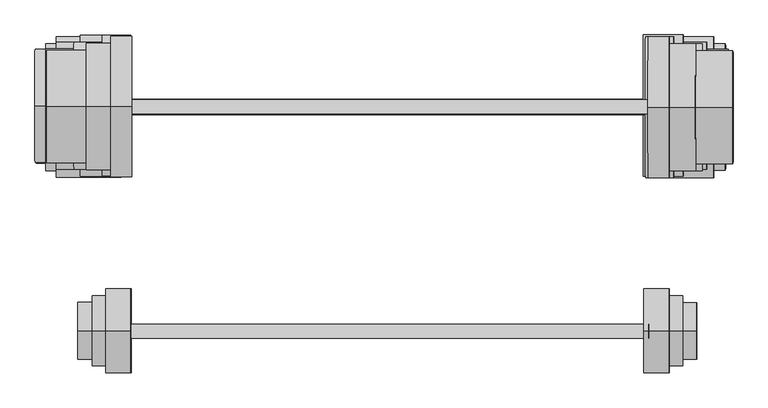
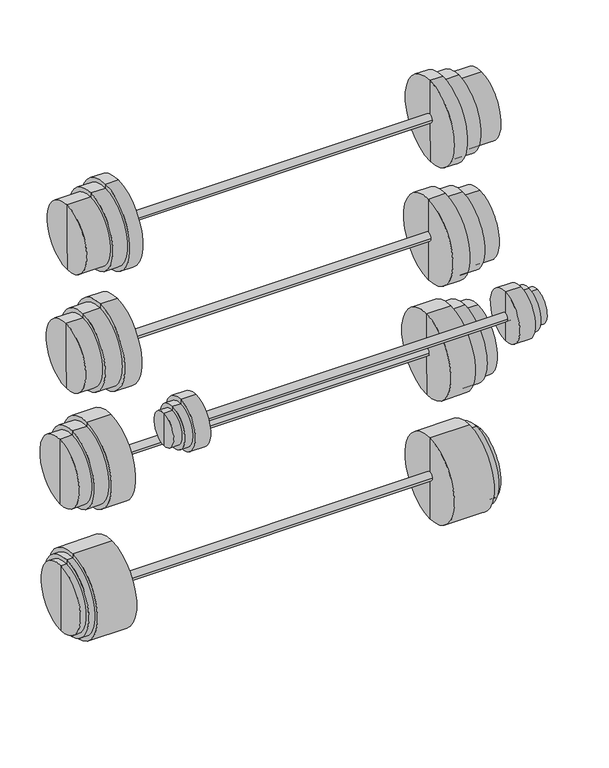
"""IFC4 building model written with IfcOpenShell, lengths in millimetres: proxy geometry."""

from ifc_helpers import new_model, si_unit, point, frame, frame_2d, origin, place, context, project, spatial, circle_curve, trimmed, segment, composite_curve, outline, extrude, source, transform, mapped, element, save
from ifc_brep_helpers import plane_surface, cylinder_surface, advanced_brep


def specialty_equipment_58067853(model_context):
    return source(origin(), model_context, "Body", "SolidModel", [
        advanced_brep(
        [(1469.1501077, -2905.6755178, 964.8840592), (1469.0053554, -2905.6755178, 1041.0839217), (1469.29486, -2905.6755178, 888.6841967), (1564.3034343, -2905.6755178, 1015.8649079), (1564.3999359, -2905.6755178, 965.0649996), (1564.4964374, -2905.6755178, 914.2650912), (1538.9034802, -2905.6755178, 1015.8166572), (1539.0964832, -2905.6755178, 914.2168405), (1538.8793548, -2905.6755178, 1028.5166342), (1539.1206086, -2905.6755178, 901.5168634), (1515.0639653, -2905.6755178, 1028.4713936), (1515.3052191, -2905.6755178, 901.4716227), (1515.0398399, -2905.6755178, 1041.1713707), (1515.3293444, -2905.6755178, 888.7716456)],
        [
            (0, 1),
            (1, 2, circle_curve(frame((1469.1501077, -2905.6755178, 964.8840592), z_axis=(-0.9999981956892882, 0.0, -0.001899636325284712), x_axis=(0.0018996363252847125, 0.0, -0.9999981956892884)), 76.2)),
            (2, 0),
            (2, 1, circle_curve(frame((1469.1501077, -2905.6755178, 964.8840592), z_axis=(-0.9999981956892882, 0.0, -0.001899636325284712), x_axis=(0.0018996363252847125, 0.0, -0.9999981956892884)), 76.2)),
            (3, 4),
            (4, 5),
            (5, 3, circle_curve(frame((1564.3999359, -2905.6755178, 965.0649996), z_axis=(0.9999981956892882, 0.0, 0.001899636325284712), x_axis=(0.0018996363252847125, 0.0, -0.9999981956892884)), 50.8)),
            (3, 5, circle_curve(frame((1564.3999359, -2905.6755178, 965.0649996), z_axis=(0.9999981956892882, 0.0, 0.001899636325284712), x_axis=(0.0018996363252847125, 0.0, -0.9999981956892884)), 50.8)),
            (6, 3),
            (5, 7),
            (7, 6, circle_curve(frame((1538.9999817, -2905.6755178, 965.0167488), z_axis=(0.9999981956892882, 0.0, 0.001899636325284712), x_axis=(0.0018996363252847125, 0.0, -0.9999981956892884)), 50.8)),
            (6, 7, circle_curve(frame((1538.9999817, -2905.6755178, 965.0167488), z_axis=(0.9999981956892882, 0.0, 0.001899636325284712), x_axis=(0.0018996363252847125, 0.0, -0.9999981956892884)), 50.8)),
            (8, 6),
            (7, 9),
            (9, 8, circle_curve(frame((1538.9999817, -2905.6755178, 965.0167488), z_axis=(0.9999981956892882, 0.0, 0.001899636325284712), x_axis=(0.0018996363252847125, 0.0, -0.9999981956892884)), 63.5)),
            (8, 9, circle_curve(frame((1538.9999817, -2905.6755178, 965.0167488), z_axis=(0.9999981956892882, 0.0, 0.001899636325284712), x_axis=(0.0018996363252847125, 0.0, -0.9999981956892884)), 63.5)),
            (10, 8),
            (9, 11),
            (11, 10, circle_curve(frame((1515.1845922, -2905.6755178, 964.9715081), z_axis=(0.9999981956892882, 0.0, 0.001899636325284712), x_axis=(0.0018996363252847125, 0.0, -0.9999981956892884)), 63.5)),
            (10, 11, circle_curve(frame((1515.1845922, -2905.6755178, 964.9715081), z_axis=(0.9999981956892882, 0.0, 0.001899636325284712), x_axis=(0.0018996363252847125, 0.0, -0.9999981956892884)), 63.5)),
            (12, 10),
            (11, 13),
            (13, 12, circle_curve(frame((1515.1845922, -2905.6755178, 964.9715081), z_axis=(0.9999981956892882, 0.0, 0.001899636325284712), x_axis=(0.0018996363252847125, 0.0, -0.9999981956892884)), 76.2)),
            (12, 13, circle_curve(frame((1515.1845922, -2905.6755178, 964.9715081), z_axis=(0.9999981956892882, 0.0, 0.001899636325284712), x_axis=(0.0018996363252847125, 0.0, -0.9999981956892884)), 76.2)),
            (1, 12),
            (13, 2),
        ],
        [
            plane_surface(frame((1469.1501077, -2905.6755178, 964.8840592), z_axis=(-0.9999981956892882, 0.0, -0.001899636325284712), x_axis=(0.001899636325284712, 0.0, -0.9999981956892882))),
            plane_surface(frame((1564.3999359, -2905.6755178, 965.0649996), z_axis=(0.9999981956892882, 0.0, 0.001899636325284712), x_axis=(0.001899636325284712, 0.0, -0.9999981956892882))),
            cylinder_surface(frame((1564.3999359, -2905.6755178, 965.0649996), z_axis=(-0.9999981956892882, 0.0, -0.001899636325284712), x_axis=(0.0018996363252847125, 0.0, -0.9999981956892884)), 50.8),
            plane_surface(frame((1538.9999817, -2905.6755178, 965.0167488), z_axis=(0.9999981956892882, 0.0, 0.001899636325284712), x_axis=(0.001899636325284712, 0.0, -0.9999981956892882))),
            cylinder_surface(frame((1564.3999359, -2905.6755178, 965.0649996), z_axis=(-0.9999981956892882, 0.0, -0.001899636325284712), x_axis=(0.0018996363252847125, 0.0, -0.9999981956892884)), 63.5),
            plane_surface(frame((1515.1845922, -2905.6755178, 964.9715081), z_axis=(0.9999981956892882, 0.0, 0.001899636325284712), x_axis=(0.001899636325284712, 0.0, -0.9999981956892882))),
            cylinder_surface(frame((1564.3999359, -2905.6755178, 965.0649996), z_axis=(-0.9999981956892882, 0.0, -0.001899636325284712), x_axis=(0.0018996363252847125, 0.0, -0.9999981956892884)), 76.2),
        ],
        [
            (0, [[1, 2, 3]]),
            (0, [[-3, 4, -1]]),
            (1, [[5, 6, 7]]),
            (1, [[-6, -5, 8]]),
            (2, [[9, -7, 10, 11]]),
            (2, [[-10, -8, -9, 12]]),
            (3, [[13, -11, 14, 15]]),
            (3, [[-14, -12, -13, 16]]),
            (4, [[17, -15, 18, 19]]),
            (4, [[-18, -16, -17, 20]]),
            (5, [[21, -19, 22, 23]]),
            (5, [[-22, -20, -21, 24]]),
            (6, [[25, -23, 26, -2]]),
            (6, [[-26, -24, -25, -4]]),
        ],
    ),
        extrude(outline(composite_curve([segment(trimmed(circle_curve(frame_2d((0.0, 12.7)), 12.7), [point((0.0, 25.4))], [point((0.0, 0.0))], False, "CARTESIAN"), True, "CONTINUOUS"), segment(trimmed(circle_curve(frame_2d((0.0, 12.7)), 12.7), [point((0.0, 0.0))], [point((0.0, 25.4))], False, "CARTESIAN"), True, "CONTINUOUS")], self_intersect=False)), frame((548.4067578, -2919.2123232, 961.2144949), z_axis=(0.9999981956892882, 0.0, 0.0018996363252847118), x_axis=(0.0018996363252847118, 0.0, -0.9999981956892882)), (0.0, 0.0, 1.0), 929.7628431),
        advanced_brep(
        [(502.9975828, -2905.6755178, 1040.6601923), (548.2556763, -2905.6755178, 1040.7461664), (548.5451808, -2905.6755178, 888.3464414), (503.2870873, -2905.6755178, 888.2604673), (503.0217081, -2905.6755178, 1027.9602152), (503.262962, -2905.6755178, 900.9604444), (478.4299277, -2905.6755178, 1027.9134997), (478.6711815, -2905.6755178, 900.9137288), (478.454053, -2905.6755178, 1015.2135226), (478.6470561, -2905.6755178, 913.6137059), (453.0540989, -2905.6755178, 1015.1652719), (453.2471019, -2905.6755178, 913.5654552), (453.1506004, -2905.6755178, 964.3653635), (548.4004285, -2905.6755178, 964.5463039)],
        [
            (0, 1),
            (1, 2, circle_curve(frame((548.4004285, -2905.6755178, 964.5463039), z_axis=(-0.9999981956892882, 0.0, -0.001899636325284712), x_axis=(0.0018996363252847125, 0.0, -0.9999981956892884)), 76.2)),
            (2, 3),
            (3, 0, circle_curve(frame((503.1423351, -2905.6755178, 964.4603298), z_axis=(0.9999981956892882, 0.0, 0.001899636325284712), x_axis=(0.0018996363252847125, 0.0, -0.9999981956892884)), 76.2)),
            (2, 1, circle_curve(frame((548.4004285, -2905.6755178, 964.5463039), z_axis=(-0.9999981956892882, 0.0, -0.001899636325284712), x_axis=(0.0018996363252847125, 0.0, -0.9999981956892884)), 76.2)),
            (0, 3, circle_curve(frame((503.1423351, -2905.6755178, 964.4603298), z_axis=(0.9999981956892882, 0.0, 0.001899636325284712), x_axis=(0.0018996363252847125, 0.0, -0.9999981956892884)), 76.2)),
            (4, 0),
            (3, 5),
            (5, 4, circle_curve(frame((503.1423351, -2905.6755178, 964.4603298), z_axis=(0.9999981956892882, 0.0, 0.001899636325284712), x_axis=(0.0018996363252847125, 0.0, -0.9999981956892884)), 63.5)),
            (4, 5, circle_curve(frame((503.1423351, -2905.6755178, 964.4603298), z_axis=(0.9999981956892882, 0.0, 0.001899636325284712), x_axis=(0.0018996363252847125, 0.0, -0.9999981956892884)), 63.5)),
            (6, 4),
            (5, 7),
            (7, 6, circle_curve(frame((478.5505546, -2905.6755178, 964.4136143), z_axis=(0.9999981956892882, 0.0, 0.001899636325284712), x_axis=(0.0018996363252847125, 0.0, -0.9999981956892884)), 63.5)),
            (6, 7, circle_curve(frame((478.5505546, -2905.6755178, 964.4136143), z_axis=(0.9999981956892882, 0.0, 0.001899636325284712), x_axis=(0.0018996363252847125, 0.0, -0.9999981956892884)), 63.5)),
            (8, 6),
            (7, 9),
            (9, 8, circle_curve(frame((478.5505546, -2905.6755178, 964.4136143), z_axis=(0.9999981956892882, 0.0, 0.001899636325284712), x_axis=(0.0018996363252847125, 0.0, -0.9999981956892884)), 50.8)),
            (8, 9, circle_curve(frame((478.5505546, -2905.6755178, 964.4136143), z_axis=(0.9999981956892882, 0.0, 0.001899636325284712), x_axis=(0.0018996363252847125, 0.0, -0.9999981956892884)), 50.8)),
            (10, 8),
            (9, 11),
            (11, 10, circle_curve(frame((453.1506004, -2905.6755178, 964.3653635), z_axis=(0.9999981956892882, 0.0, 0.001899636325284712), x_axis=(0.0018996363252847125, 0.0, -0.9999981956892884)), 50.8)),
            (10, 11, circle_curve(frame((453.1506004, -2905.6755178, 964.3653635), z_axis=(0.9999981956892882, 0.0, 0.001899636325284712), x_axis=(0.0018996363252847125, 0.0, -0.9999981956892884)), 50.8)),
            (12, 10),
            (11, 12),
            (1, 13),
            (13, 2),
        ],
        [
            cylinder_surface(frame((453.1506004, -2905.6755178, 964.3653635), z_axis=(-0.9999981956892882, 0.0, -0.001899636325284712), x_axis=(0.0018996363252847125, 0.0, -0.9999981956892884)), 76.2),
            plane_surface(frame((503.1423351, -2905.6755178, 964.4603298), z_axis=(-0.9999981956892882, 0.0, -0.001899636325284712), x_axis=(0.001899636325284712, 0.0, -0.9999981956892882))),
            cylinder_surface(frame((453.1506004, -2905.6755178, 964.3653635), z_axis=(-0.9999981956892882, 0.0, -0.001899636325284712), x_axis=(0.0018996363252847125, 0.0, -0.9999981956892884)), 63.5),
            plane_surface(frame((478.5505546, -2905.6755178, 964.4136143), z_axis=(-0.9999981956892882, 0.0, -0.001899636325284712), x_axis=(0.001899636325284712, 0.0, -0.9999981956892882))),
            cylinder_surface(frame((453.1506004, -2905.6755178, 964.3653635), z_axis=(-0.9999981956892882, 0.0, -0.001899636325284712), x_axis=(0.0018996363252847125, 0.0, -0.9999981956892884)), 50.8),
            plane_surface(frame((453.1506004, -2905.6755178, 964.3653635), z_axis=(-0.9999981956892882, 0.0, -0.001899636325284712), x_axis=(0.001899636325284712, 0.0, -0.9999981956892882))),
            plane_surface(frame((548.4004285, -2905.6755178, 964.5463039), z_axis=(0.9999981956892882, 0.0, 0.001899636325284712), x_axis=(0.001899636325284712, 0.0, -0.9999981956892882))),
        ],
        [
            (0, [[1, 2, 3, 4]]),
            (0, [[-3, 5, -1, 6]]),
            (1, [[7, -4, 8, 9]]),
            (1, [[-8, -6, -7, 10]]),
            (2, [[11, -9, 12, 13]]),
            (2, [[-12, -10, -11, 14]]),
            (3, [[15, -13, 16, 17]]),
            (3, [[-16, -14, -15, 18]]),
            (4, [[19, -17, 20, 21]]),
            (4, [[-20, -18, -19, 22]]),
            (5, [[23, -21, 24]]),
            (5, [[-24, -22, -23]]),
            (6, [[25, 26, -2]]),
            (6, [[-26, -25, -5]]),
        ],
    ),
        extrude(outline(composite_curve([segment(trimmed(circle_curve(frame_2d((0.0, 12.7)), 12.7), [point((0.0, 25.4))], [point((0.0, 0.0))], False, "CARTESIAN"), True, "CONTINUOUS"), segment(trimmed(circle_curve(frame_2d((0.0, 12.7)), 12.7), [point((0.0, 0.0))], [point((0.0, 25.4))], False, "CARTESIAN"), True, "CONTINUOUS")], self_intersect=False)), frame((497.5993768, -2515.108288, 609.0766567), z_axis=(0.9999981956892882, 0.0, 0.001899636325278269), x_axis=(0.001899636325278269, 0.0, -0.9999981956892882)), (0.0, 0.0, 1.0), 975.2843977),
        advanced_brep(
        [(1468.1498944, -2501.5714826, 600.823924), (1467.9086406, -2501.5714826, 727.8236948), (1468.3911482, -2501.5714826, 473.8241531), (1620.3566164, -2501.5714826, 702.7132452), (1620.5496195, -2501.5714826, 601.1134285), (1620.7426225, -2501.5714826, 499.5136119), (1582.2740777, -2501.5714826, 702.6409021), (1582.6600838, -2501.5714826, 499.4412687), (1582.2499523, -2501.5714826, 715.3408792), (1582.6842092, -2501.5714826, 486.7412917), (1540.0307396, -2501.5714826, 715.2606779), (1540.4649965, -2501.5714826, 486.6610904), (1540.0066142, -2501.5714826, 727.960655), (1540.4891218, -2501.5714826, 473.9611133)],
        [
            (0, 1),
            (1, 2, circle_curve(frame((1468.1498944, -2501.5714826, 600.823924), z_axis=(-0.9999981956892882, 0.0, -0.0018996363252782693), x_axis=(0.0018996363252782697, 0.0, -0.9999981956892884)), 127.0)),
            (2, 0),
            (2, 1, circle_curve(frame((1468.1498944, -2501.5714826, 600.823924), z_axis=(-0.9999981956892882, 0.0, -0.0018996363252782693), x_axis=(0.0018996363252782697, 0.0, -0.9999981956892884)), 127.0)),
            (3, 4),
            (4, 5),
            (5, 3, circle_curve(frame((1620.5496195, -2501.5714826, 601.1134285), z_axis=(0.9999981956892882, 0.0, 0.0018996363252782693), x_axis=(0.0018996363252782697, 0.0, -0.9999981956892884)), 101.6)),
            (3, 5, circle_curve(frame((1620.5496195, -2501.5714826, 601.1134285), z_axis=(0.9999981956892882, 0.0, 0.0018996363252782693), x_axis=(0.0018996363252782697, 0.0, -0.9999981956892884)), 101.6)),
            (6, 3),
            (5, 7),
            (7, 6, circle_curve(frame((1582.4670808, -2501.5714826, 601.0410854), z_axis=(0.9999981956892882, 0.0, 0.0018996363252782693), x_axis=(0.0018996363252782697, 0.0, -0.9999981956892884)), 101.6)),
            (6, 7, circle_curve(frame((1582.4670808, -2501.5714826, 601.0410854), z_axis=(0.9999981956892882, 0.0, 0.0018996363252782693), x_axis=(0.0018996363252782697, 0.0, -0.9999981956892884)), 101.6)),
            (8, 6),
            (7, 9),
            (9, 8, circle_curve(frame((1582.4670808, -2501.5714826, 601.0410854), z_axis=(0.9999981956892882, 0.0, 0.0018996363252782693), x_axis=(0.0018996363252782697, 0.0, -0.9999981956892884)), 114.3)),
            (8, 9, circle_curve(frame((1582.4670808, -2501.5714826, 601.0410854), z_axis=(0.9999981956892882, 0.0, 0.0018996363252782693), x_axis=(0.0018996363252782697, 0.0, -0.9999981956892884)), 114.3)),
            (10, 8),
            (9, 11),
            (11, 10, circle_curve(frame((1540.247868, -2501.5714826, 600.9608841), z_axis=(0.9999981956892882, 0.0, 0.0018996363252782693), x_axis=(0.0018996363252782697, 0.0, -0.9999981956892884)), 114.3)),
            (10, 11, circle_curve(frame((1540.247868, -2501.5714826, 600.9608841), z_axis=(0.9999981956892882, 0.0, 0.0018996363252782693), x_axis=(0.0018996363252782697, 0.0, -0.9999981956892884)), 114.3)),
            (12, 10),
            (11, 13),
            (13, 12, circle_curve(frame((1540.247868, -2501.5714826, 600.9608841), z_axis=(0.9999981956892882, 0.0, 0.0018996363252782693), x_axis=(0.0018996363252782697, 0.0, -0.9999981956892884)), 127.0)),
            (12, 13, circle_curve(frame((1540.247868, -2501.5714826, 600.9608841), z_axis=(0.9999981956892882, 0.0, 0.0018996363252782693), x_axis=(0.0018996363252782697, 0.0, -0.9999981956892884)), 127.0)),
            (1, 12),
            (13, 2),
        ],
        [
            plane_surface(frame((1468.1498944, -2501.5714826, 600.823924), z_axis=(-0.9999981956892882, 0.0, -0.0018996363252782693), x_axis=(0.0018996363252782693, 0.0, -0.9999981956892882))),
            plane_surface(frame((1620.5496195, -2501.5714826, 601.1134285), z_axis=(0.9999981956892882, 0.0, 0.0018996363252782693), x_axis=(0.0018996363252782693, 0.0, -0.9999981956892882))),
            cylinder_surface(frame((1620.5496195, -2501.5714826, 601.1134285), z_axis=(-0.9999981956892882, 0.0, -0.0018996363252782693), x_axis=(0.0018996363252782697, 0.0, -0.9999981956892884)), 101.6),
            plane_surface(frame((1582.4670808, -2501.5714826, 601.0410854), z_axis=(0.9999981956892882, 0.0, 0.0018996363252782693), x_axis=(0.0018996363252782693, 0.0, -0.9999981956892882))),
            cylinder_surface(frame((1620.5496195, -2501.5714826, 601.1134285), z_axis=(-0.9999981956892882, 0.0, -0.0018996363252782693), x_axis=(0.0018996363252782697, 0.0, -0.9999981956892884)), 114.3),
            plane_surface(frame((1540.247868, -2501.5714826, 600.9608841), z_axis=(0.9999981956892882, 0.0, 0.0018996363252782693), x_axis=(0.0018996363252782693, 0.0, -0.9999981956892882))),
            cylinder_surface(frame((1620.5496195, -2501.5714826, 601.1134285), z_axis=(-0.9999981956892882, 0.0, -0.0018996363252782693), x_axis=(0.0018996363252782697, 0.0, -0.9999981956892884)), 127.0),
        ],
        [
            (0, [[1, 2, 3]]),
            (0, [[-3, 4, -1]]),
            (1, [[5, 6, 7]]),
            (1, [[-6, -5, 8]]),
            (2, [[9, -7, 10, 11]]),
            (2, [[-10, -8, -9, 12]]),
            (3, [[13, -11, 14, 15]]),
            (3, [[-14, -12, -13, 16]]),
            (4, [[17, -15, 18, 19]]),
            (4, [[-18, -16, -17, 20]]),
            (5, [[21, -19, 22, 23]]),
            (5, [[-22, -20, -21, 24]]),
            (6, [[25, -23, 26, -2]]),
            (6, [[-26, -24, -25, -4]]),
        ],
    ),
        advanced_brep(
        [(456.9088376, -2501.5714826, 740.6491981), (528.2250177, -2501.5714826, 740.7846732), (528.7075253, -2501.5714826, 486.7851315), (457.3913453, -2501.5714826, 486.6496564), (456.932963, -2501.5714826, 727.949221), (457.3672199, -2501.5714826, 499.3496335), (413.7261074, -2501.5714826, 727.8671436), (414.1603643, -2501.5714826, 499.267556), (413.7502328, -2501.5714826, 715.1671665), (414.1362389, -2501.5714826, 511.9675331), (375.8735435, -2501.5714826, 715.0952144), (376.2595496, -2501.5714826, 511.8955811), (376.0665465, -2501.5714826, 613.4953977), (528.4662715, -2501.5714826, 613.7849023)],
        [
            (0, 1),
            (1, 2, circle_curve(frame((528.4662715, -2501.5714826, 613.7849023), z_axis=(-0.9999981956892882, 0.0, -0.0018996363252782693), x_axis=(0.0018996363252782697, 0.0, -0.9999981956892884)), 127.0)),
            (2, 3),
            (3, 0, circle_curve(frame((457.1500915, -2501.5714826, 613.6494273), z_axis=(0.9999981956892882, 0.0, 0.0018996363252782693), x_axis=(0.0018996363252782697, 0.0, -0.9999981956892884)), 127.0)),
            (2, 1, circle_curve(frame((528.4662715, -2501.5714826, 613.7849023), z_axis=(-0.9999981956892882, 0.0, -0.0018996363252782693), x_axis=(0.0018996363252782697, 0.0, -0.9999981956892884)), 127.0)),
            (0, 3, circle_curve(frame((457.1500915, -2501.5714826, 613.6494273), z_axis=(0.9999981956892882, 0.0, 0.0018996363252782693), x_axis=(0.0018996363252782697, 0.0, -0.9999981956892884)), 127.0)),
            (4, 0),
            (3, 5),
            (5, 4, circle_curve(frame((457.1500915, -2501.5714826, 613.6494273), z_axis=(0.9999981956892882, 0.0, 0.0018996363252782693), x_axis=(0.0018996363252782697, 0.0, -0.9999981956892884)), 114.3)),
            (4, 5, circle_curve(frame((457.1500915, -2501.5714826, 613.6494273), z_axis=(0.9999981956892882, 0.0, 0.0018996363252782693), x_axis=(0.0018996363252782697, 0.0, -0.9999981956892884)), 114.3)),
            (6, 4),
            (5, 7),
            (7, 6, circle_curve(frame((413.9432358, -2501.5714826, 613.5673498), z_axis=(0.9999981956892882, 0.0, 0.0018996363252782693), x_axis=(0.0018996363252782697, 0.0, -0.9999981956892884)), 114.3)),
            (6, 7, circle_curve(frame((413.9432358, -2501.5714826, 613.5673498), z_axis=(0.9999981956892882, 0.0, 0.0018996363252782693), x_axis=(0.0018996363252782697, 0.0, -0.9999981956892884)), 114.3)),
            (8, 6),
            (7, 9),
            (9, 8, circle_curve(frame((413.9432358, -2501.5714826, 613.5673498), z_axis=(0.9999981956892882, 0.0, 0.0018996363252782693), x_axis=(0.0018996363252782697, 0.0, -0.9999981956892884)), 101.6)),
            (8, 9, circle_curve(frame((413.9432358, -2501.5714826, 613.5673498), z_axis=(0.9999981956892882, 0.0, 0.0018996363252782693), x_axis=(0.0018996363252782697, 0.0, -0.9999981956892884)), 101.6)),
            (10, 8),
            (9, 11),
            (11, 10, circle_curve(frame((376.0665465, -2501.5714826, 613.4953977), z_axis=(0.9999981956892882, 0.0, 0.0018996363252782693), x_axis=(0.0018996363252782697, 0.0, -0.9999981956892884)), 101.6)),
            (10, 11, circle_curve(frame((376.0665465, -2501.5714826, 613.4953977), z_axis=(0.9999981956892882, 0.0, 0.0018996363252782693), x_axis=(0.0018996363252782697, 0.0, -0.9999981956892884)), 101.6)),
            (12, 10),
            (11, 12),
            (1, 13),
            (13, 2),
        ],
        [
            cylinder_surface(frame((376.0665465, -2501.5714826, 613.4953977), z_axis=(-0.9999981956892882, 0.0, -0.0018996363252782693), x_axis=(0.0018996363252782697, 0.0, -0.9999981956892884)), 127.0),
            plane_surface(frame((457.1500915, -2501.5714826, 613.6494273), z_axis=(-0.9999981956892882, 0.0, -0.0018996363252782693), x_axis=(0.0018996363252782693, 0.0, -0.9999981956892882))),
            cylinder_surface(frame((376.0665465, -2501.5714826, 613.4953977), z_axis=(-0.9999981956892882, 0.0, -0.0018996363252782693), x_axis=(0.0018996363252782697, 0.0, -0.9999981956892884)), 114.3),
            plane_surface(frame((413.9432358, -2501.5714826, 613.5673498), z_axis=(-0.9999981956892882, 0.0, -0.0018996363252782693), x_axis=(0.0018996363252782693, 0.0, -0.9999981956892882))),
            cylinder_surface(frame((376.0665465, -2501.5714826, 613.4953977), z_axis=(-0.9999981956892882, 0.0, -0.0018996363252782693), x_axis=(0.0018996363252782697, 0.0, -0.9999981956892884)), 101.6),
            plane_surface(frame((376.0665465, -2501.5714826, 613.4953977), z_axis=(-0.9999981956892882, 0.0, -0.0018996363252782693), x_axis=(0.0018996363252782693, 0.0, -0.9999981956892882))),
            plane_surface(frame((528.4662715, -2501.5714826, 613.7849023), z_axis=(0.9999981956892882, 0.0, 0.0018996363252782693), x_axis=(0.0018996363252782693, 0.0, -0.9999981956892882))),
        ],
        [
            (0, [[1, 2, 3, 4]]),
            (0, [[-3, 5, -1, 6]]),
            (1, [[7, -4, 8, 9]]),
            (1, [[-8, -6, -7, 10]]),
            (2, [[11, -9, 12, 13]]),
            (2, [[-12, -10, -11, 14]]),
            (3, [[15, -13, 16, 17]]),
            (3, [[-16, -14, -15, 18]]),
            (4, [[19, -17, 20, 21]]),
            (4, [[-20, -18, -19, 22]]),
            (5, [[23, -21, 24]]),
            (5, [[-24, -22, -23]]),
            (6, [[25, 26, -2]]),
            (6, [[-26, -25, -5]]),
        ],
    ),
        extrude(outline(composite_curve([segment(trimmed(circle_curve(frame_2d((0.0, 12.7)), 12.7), [point((0.0, 25.4))], [point((0.0, 0.0))], False, "CARTESIAN"), True, "CONTINUOUS"), segment(trimmed(circle_curve(frame_2d((0.0, 12.7)), 12.7), [point((0.0, 0.0))], [point((0.0, 25.4))], False, "CARTESIAN"), True, "CONTINUOUS")], self_intersect=False)), frame((541.2309603, -2516.4545822, 1339.8476702), z_axis=(0.9999981956892882, 0.0, 0.001899636325278269), x_axis=(0.001899636325278269, 0.0, -0.9999981956892882)), (0.0, 0.0, 1.0), 935.5994921),
        advanced_brep(
        [(1476.8445578, -2504.4587063, 1333.3109977), (1476.603304, -2504.4587063, 1460.3107686), (1477.0858116, -2504.4587063, 1206.3112269), (1629.0512798, -2504.4587063, 1435.200319), (1629.2442828, -2504.4587063, 1333.6005023), (1629.4372859, -2504.4587063, 1232.0006856), (1561.9329314, -2504.4587063, 1435.0728183), (1562.3189375, -2504.4587063, 1231.873185), (1561.908806, -2504.4587063, 1447.7727954), (1562.3430629, -2504.4587063, 1219.1732079), (1514.875273, -2504.4587063, 1447.6834486), (1515.3095298, -2504.4587063, 1219.0838611), (1514.8511476, -2504.4587063, 1460.3834257), (1515.3336552, -2504.4587063, 1206.383884)],
        [
            (0, 1),
            (1, 2, circle_curve(frame((1476.8445578, -2504.4587063, 1333.3109977), z_axis=(-0.9999981956892882, 0.0, -0.0018996363252782693), x_axis=(0.0018996363252782697, 0.0, -0.9999981956892884)), 127.0)),
            (2, 0),
            (2, 1, circle_curve(frame((1476.8445578, -2504.4587063, 1333.3109977), z_axis=(-0.9999981956892882, 0.0, -0.0018996363252782693), x_axis=(0.0018996363252782697, 0.0, -0.9999981956892884)), 127.0)),
            (3, 4),
            (4, 5),
            (5, 3, circle_curve(frame((1629.2442828, -2504.4587063, 1333.6005023), z_axis=(0.9999981956892882, 0.0, 0.0018996363252782693), x_axis=(0.0018996363252782697, 0.0, -0.9999981956892884)), 101.6)),
            (3, 5, circle_curve(frame((1629.2442828, -2504.4587063, 1333.6005023), z_axis=(0.9999981956892882, 0.0, 0.0018996363252782693), x_axis=(0.0018996363252782697, 0.0, -0.9999981956892884)), 101.6)),
            (6, 3),
            (5, 7),
            (7, 6, circle_curve(frame((1562.1259345, -2504.4587063, 1333.4730016), z_axis=(0.9999981956892882, 0.0, 0.0018996363252782693), x_axis=(0.0018996363252782697, 0.0, -0.9999981956892884)), 101.6)),
            (6, 7, circle_curve(frame((1562.1259345, -2504.4587063, 1333.4730016), z_axis=(0.9999981956892882, 0.0, 0.0018996363252782693), x_axis=(0.0018996363252782697, 0.0, -0.9999981956892884)), 101.6)),
            (8, 6),
            (7, 9),
            (9, 8, circle_curve(frame((1562.1259345, -2504.4587063, 1333.4730016), z_axis=(0.9999981956892882, 0.0, 0.0018996363252782693), x_axis=(0.0018996363252782697, 0.0, -0.9999981956892884)), 114.3)),
            (8, 9, circle_curve(frame((1562.1259345, -2504.4587063, 1333.4730016), z_axis=(0.9999981956892882, 0.0, 0.0018996363252782693), x_axis=(0.0018996363252782697, 0.0, -0.9999981956892884)), 114.3)),
            (10, 8),
            (9, 11),
            (11, 10, circle_curve(frame((1515.0924014, -2504.4587063, 1333.3836549), z_axis=(0.9999981956892882, 0.0, 0.0018996363252782693), x_axis=(0.0018996363252782697, 0.0, -0.9999981956892884)), 114.3)),
            (10, 11, circle_curve(frame((1515.0924014, -2504.4587063, 1333.3836549), z_axis=(0.9999981956892882, 0.0, 0.0018996363252782693), x_axis=(0.0018996363252782697, 0.0, -0.9999981956892884)), 114.3)),
            (12, 10),
            (11, 13),
            (13, 12, circle_curve(frame((1515.0924014, -2504.4587063, 1333.3836549), z_axis=(0.9999981956892882, 0.0, 0.0018996363252782693), x_axis=(0.0018996363252782697, 0.0, -0.9999981956892884)), 127.0)),
            (12, 13, circle_curve(frame((1515.0924014, -2504.4587063, 1333.3836549), z_axis=(0.9999981956892882, 0.0, 0.0018996363252782693), x_axis=(0.0018996363252782697, 0.0, -0.9999981956892884)), 127.0)),
            (1, 12),
            (13, 2),
        ],
        [
            plane_surface(frame((1476.8445578, -2504.4587063, 1333.3109977), z_axis=(-0.9999981956892882, 0.0, -0.0018996363252782693), x_axis=(0.0018996363252782693, 0.0, -0.9999981956892882))),
            plane_surface(frame((1629.2442828, -2504.4587063, 1333.6005023), z_axis=(0.9999981956892882, 0.0, 0.0018996363252782693), x_axis=(0.0018996363252782693, 0.0, -0.9999981956892882))),
            cylinder_surface(frame((1629.2442828, -2504.4587063, 1333.6005023), z_axis=(-0.9999981956892882, 0.0, -0.0018996363252782693), x_axis=(0.0018996363252782697, 0.0, -0.9999981956892884)), 101.6),
            plane_surface(frame((1562.1259345, -2504.4587063, 1333.4730016), z_axis=(0.9999981956892882, 0.0, 0.0018996363252782693), x_axis=(0.0018996363252782693, 0.0, -0.9999981956892882))),
            cylinder_surface(frame((1629.2442828, -2504.4587063, 1333.6005023), z_axis=(-0.9999981956892882, 0.0, -0.0018996363252782693), x_axis=(0.0018996363252782697, 0.0, -0.9999981956892884)), 114.3),
            plane_surface(frame((1515.0924014, -2504.4587063, 1333.3836549), z_axis=(0.9999981956892882, 0.0, 0.0018996363252782693), x_axis=(0.0018996363252782693, 0.0, -0.9999981956892882))),
            cylinder_surface(frame((1629.2442828, -2504.4587063, 1333.6005023), z_axis=(-0.9999981956892882, 0.0, -0.0018996363252782693), x_axis=(0.0018996363252782697, 0.0, -0.9999981956892884)), 127.0),
        ],
        [
            (0, [[1, 2, 3]]),
            (0, [[-3, 4, -1]]),
            (1, [[5, 6, 7]]),
            (1, [[-6, -5, 8]]),
            (2, [[9, -7, 10, 11]]),
            (2, [[-10, -8, -9, 12]]),
            (3, [[13, -11, 14, 15]]),
            (3, [[-14, -12, -13, 16]]),
            (4, [[17, -15, 18, 19]]),
            (4, [[-18, -16, -17, 20]]),
            (5, [[21, -19, 22, 23]]),
            (5, [[-22, -20, -21, 24]]),
            (6, [[25, -23, 26, -2]]),
            (6, [[-26, -24, -25, -4]]),
        ],
    ),
        advanced_brep(
        [(511.6214157, -2502.9177768, 1471.4412615), (549.3850549, -2502.9177768, 1471.5129988), (549.8675626, -2502.9177768, 1217.5134571), (512.1039233, -2502.9177768, 1217.4417198), (511.6455411, -2502.9177768, 1458.7412844), (512.0797979, -2502.9177768, 1230.1416969), (467.8639373, -2502.9177768, 1458.6581151), (468.2981942, -2502.9177768, 1230.0585276), (467.8880627, -2502.9177768, 1445.958138), (468.2740688, -2502.9177768, 1242.7585047), (397.0335807, -2502.9177768, 1445.82354), (397.4195868, -2502.9177768, 1242.6239067), (397.2265837, -2502.9177768, 1344.2237234), (549.6263087, -2502.9177768, 1344.5132279)],
        [
            (0, 1),
            (1, 2, circle_curve(frame((549.6263087, -2502.9177768, 1344.5132279), z_axis=(-0.9999981956892882, 0.0, -0.0018996363252782693), x_axis=(0.0018996363252782697, 0.0, -0.9999981956892884)), 127.0)),
            (2, 3),
            (3, 0, circle_curve(frame((511.8626695, -2502.9177768, 1344.4414906), z_axis=(0.9999981956892882, 0.0, 0.0018996363252782693), x_axis=(0.0018996363252782697, 0.0, -0.9999981956892884)), 127.0)),
            (2, 1, circle_curve(frame((549.6263087, -2502.9177768, 1344.5132279), z_axis=(-0.9999981956892882, 0.0, -0.0018996363252782693), x_axis=(0.0018996363252782697, 0.0, -0.9999981956892884)), 127.0)),
            (0, 3, circle_curve(frame((511.8626695, -2502.9177768, 1344.4414906), z_axis=(0.9999981956892882, 0.0, 0.0018996363252782693), x_axis=(0.0018996363252782697, 0.0, -0.9999981956892884)), 127.0)),
            (4, 0),
            (3, 5),
            (5, 4, circle_curve(frame((511.8626695, -2502.9177768, 1344.4414906), z_axis=(0.9999981956892882, 0.0, 0.0018996363252782693), x_axis=(0.0018996363252782697, 0.0, -0.9999981956892884)), 114.3)),
            (4, 5, circle_curve(frame((511.8626695, -2502.9177768, 1344.4414906), z_axis=(0.9999981956892882, 0.0, 0.0018996363252782693), x_axis=(0.0018996363252782697, 0.0, -0.9999981956892884)), 114.3)),
            (6, 4),
            (5, 7),
            (7, 6, circle_curve(frame((468.0810657, -2502.9177768, 1344.3583214), z_axis=(0.9999981956892882, 0.0, 0.0018996363252782693), x_axis=(0.0018996363252782697, 0.0, -0.9999981956892884)), 114.3)),
            (6, 7, circle_curve(frame((468.0810657, -2502.9177768, 1344.3583214), z_axis=(0.9999981956892882, 0.0, 0.0018996363252782693), x_axis=(0.0018996363252782697, 0.0, -0.9999981956892884)), 114.3)),
            (8, 6),
            (7, 9),
            (9, 8, circle_curve(frame((468.0810657, -2502.9177768, 1344.3583214), z_axis=(0.9999981956892882, 0.0, 0.0018996363252782693), x_axis=(0.0018996363252782697, 0.0, -0.9999981956892884)), 101.6)),
            (8, 9, circle_curve(frame((468.0810657, -2502.9177768, 1344.3583214), z_axis=(0.9999981956892882, 0.0, 0.0018996363252782693), x_axis=(0.0018996363252782697, 0.0, -0.9999981956892884)), 101.6)),
            (10, 8),
            (9, 11),
            (11, 10, circle_curve(frame((397.2265837, -2502.9177768, 1344.2237234), z_axis=(0.9999981956892882, 0.0, 0.0018996363252782693), x_axis=(0.0018996363252782697, 0.0, -0.9999981956892884)), 101.6)),
            (10, 11, circle_curve(frame((397.2265837, -2502.9177768, 1344.2237234), z_axis=(0.9999981956892882, 0.0, 0.0018996363252782693), x_axis=(0.0018996363252782697, 0.0, -0.9999981956892884)), 101.6)),
            (12, 10),
            (11, 12),
            (1, 13),
            (13, 2),
        ],
        [
            cylinder_surface(frame((397.2265837, -2502.9177768, 1344.2237234), z_axis=(-0.9999981956892882, 0.0, -0.0018996363252782693), x_axis=(0.0018996363252782697, 0.0, -0.9999981956892884)), 127.0),
            plane_surface(frame((511.8626695, -2502.9177768, 1344.4414906), z_axis=(-0.9999981956892882, 0.0, -0.0018996363252782693), x_axis=(0.0018996363252782693, 0.0, -0.9999981956892882))),
            cylinder_surface(frame((397.2265837, -2502.9177768, 1344.2237234), z_axis=(-0.9999981956892882, 0.0, -0.0018996363252782693), x_axis=(0.0018996363252782697, 0.0, -0.9999981956892884)), 114.3),
            plane_surface(frame((468.0810657, -2502.9177768, 1344.3583214), z_axis=(-0.9999981956892882, 0.0, -0.0018996363252782693), x_axis=(0.0018996363252782693, 0.0, -0.9999981956892882))),
            cylinder_surface(frame((397.2265837, -2502.9177768, 1344.2237234), z_axis=(-0.9999981956892882, 0.0, -0.0018996363252782693), x_axis=(0.0018996363252782697, 0.0, -0.9999981956892884)), 101.6),
            plane_surface(frame((397.2265837, -2502.9177768, 1344.2237234), z_axis=(-0.9999981956892882, 0.0, -0.0018996363252782693), x_axis=(0.0018996363252782693, 0.0, -0.9999981956892882))),
            plane_surface(frame((549.6263087, -2502.9177768, 1344.5132279), z_axis=(0.9999981956892882, 0.0, 0.0018996363252782693), x_axis=(0.0018996363252782693, 0.0, -0.9999981956892882))),
        ],
        [
            (0, [[1, 2, 3, 4]]),
            (0, [[-3, 5, -1, 6]]),
            (1, [[7, -4, 8, 9]]),
            (1, [[-8, -6, -7, 10]]),
            (2, [[11, -9, 12, 13]]),
            (2, [[-12, -10, -11, 14]]),
            (3, [[15, -13, 16, 17]]),
            (3, [[-16, -14, -15, 18]]),
            (4, [[19, -17, 20, 21]]),
            (4, [[-20, -18, -19, 22]]),
            (5, [[23, -21, 24]]),
            (5, [[-24, -22, -23]]),
            (6, [[25, 26, -2]]),
            (6, [[-26, -25, -5]]),
        ],
    ),
        extrude(outline(composite_curve([segment(trimmed(circle_curve(frame_2d((0.0, 12.7)), 12.7), [point((0.0, 25.4))], [point((0.0, 0.0))], False, "CARTESIAN"), True, "CONTINUOUS"), segment(trimmed(circle_curve(frame_2d((0.0, 12.7)), 12.7), [point((0.0, 0.0))], [point((0.0, 25.4))], False, "CARTESIAN"), True, "CONTINUOUS")], self_intersect=False)), frame((541.9336321, -2517.8008763, 969.9502671), z_axis=(0.9999981956892882, 0.0, 0.001899636325278269), x_axis=(0.001899636325278269, 0.0, -0.9999981956892882)), (0.0, 0.0, 1.0), 951.7721838),
        advanced_brep(
        [(1472.2157448, -2504.2640709, 961.6642378), (1471.9744909, -2504.2640709, 1088.6640086), (1472.4569986, -2504.2640709, 834.6644669), (1624.4224667, -2504.2640709, 1063.553559), (1624.6154698, -2504.2640709, 961.9537423), (1624.8084728, -2504.2640709, 860.3539256), (1573.6225584, -2504.2640709, 1063.4570575), (1574.0085645, -2504.2640709, 860.2574241), (1573.598433, -2504.2640709, 1076.1570346), (1574.0326899, -2504.2640709, 847.557447), (1522.7985247, -2504.2640709, 1076.060533), (1523.2327815, -2504.2640709, 847.4609455), (1522.7743993, -2504.2640709, 1088.7605101), (1523.2569069, -2504.2640709, 834.7609684)],
        [
            (0, 1),
            (1, 2, circle_curve(frame((1472.2157448, -2504.2640709, 961.6642378), z_axis=(-0.9999981956892882, 0.0, -0.0018996363252782693), x_axis=(0.0018996363252782697, 0.0, -0.9999981956892884)), 127.0)),
            (2, 0),
            (2, 1, circle_curve(frame((1472.2157448, -2504.2640709, 961.6642378), z_axis=(-0.9999981956892882, 0.0, -0.0018996363252782693), x_axis=(0.0018996363252782697, 0.0, -0.9999981956892884)), 127.0)),
            (3, 4),
            (4, 5),
            (5, 3, circle_curve(frame((1624.6154698, -2504.2640709, 961.9537423), z_axis=(0.9999981956892882, 0.0, 0.0018996363252782693), x_axis=(0.0018996363252782697, 0.0, -0.9999981956892884)), 101.6)),
            (3, 5, circle_curve(frame((1624.6154698, -2504.2640709, 961.9537423), z_axis=(0.9999981956892882, 0.0, 0.0018996363252782693), x_axis=(0.0018996363252782697, 0.0, -0.9999981956892884)), 101.6)),
            (6, 3),
            (5, 7),
            (7, 6, circle_curve(frame((1573.8155614, -2504.2640709, 961.8572408), z_axis=(0.9999981956892882, 0.0, 0.0018996363252782693), x_axis=(0.0018996363252782697, 0.0, -0.9999981956892884)), 101.6)),
            (6, 7, circle_curve(frame((1573.8155614, -2504.2640709, 961.8572408), z_axis=(0.9999981956892882, 0.0, 0.0018996363252782693), x_axis=(0.0018996363252782697, 0.0, -0.9999981956892884)), 101.6)),
            (8, 6),
            (7, 9),
            (9, 8, circle_curve(frame((1573.8155614, -2504.2640709, 961.8572408), z_axis=(0.9999981956892882, 0.0, 0.0018996363252782693), x_axis=(0.0018996363252782697, 0.0, -0.9999981956892884)), 114.3)),
            (8, 9, circle_curve(frame((1573.8155614, -2504.2640709, 961.8572408), z_axis=(0.9999981956892882, 0.0, 0.0018996363252782693), x_axis=(0.0018996363252782697, 0.0, -0.9999981956892884)), 114.3)),
            (10, 8),
            (9, 11),
            (11, 10, circle_curve(frame((1523.0156531, -2504.2640709, 961.7607393), z_axis=(0.9999981956892882, 0.0, 0.0018996363252782693), x_axis=(0.0018996363252782697, 0.0, -0.9999981956892884)), 114.3)),
            (10, 11, circle_curve(frame((1523.0156531, -2504.2640709, 961.7607393), z_axis=(0.9999981956892882, 0.0, 0.0018996363252782693), x_axis=(0.0018996363252782697, 0.0, -0.9999981956892884)), 114.3)),
            (12, 10),
            (11, 13),
            (13, 12, circle_curve(frame((1523.0156531, -2504.2640709, 961.7607393), z_axis=(0.9999981956892882, 0.0, 0.0018996363252782693), x_axis=(0.0018996363252782697, 0.0, -0.9999981956892884)), 127.0)),
            (12, 13, circle_curve(frame((1523.0156531, -2504.2640709, 961.7607393), z_axis=(0.9999981956892882, 0.0, 0.0018996363252782693), x_axis=(0.0018996363252782697, 0.0, -0.9999981956892884)), 127.0)),
            (1, 12),
            (13, 2),
        ],
        [
            plane_surface(frame((1472.2157448, -2504.2640709, 961.6642378), z_axis=(-0.9999981956892882, 0.0, -0.0018996363252782693), x_axis=(0.0018996363252782693, 0.0, -0.9999981956892882))),
            plane_surface(frame((1624.6154698, -2504.2640709, 961.9537423), z_axis=(0.9999981956892882, 0.0, 0.0018996363252782693), x_axis=(0.0018996363252782693, 0.0, -0.9999981956892882))),
            cylinder_surface(frame((1624.6154698, -2504.2640709, 961.9537423), z_axis=(-0.9999981956892882, 0.0, -0.0018996363252782693), x_axis=(0.0018996363252782697, 0.0, -0.9999981956892884)), 101.6),
            plane_surface(frame((1573.8155614, -2504.2640709, 961.8572408), z_axis=(0.9999981956892882, 0.0, 0.0018996363252782693), x_axis=(0.0018996363252782693, 0.0, -0.9999981956892882))),
            cylinder_surface(frame((1624.6154698, -2504.2640709, 961.9537423), z_axis=(-0.9999981956892882, 0.0, -0.0018996363252782693), x_axis=(0.0018996363252782697, 0.0, -0.9999981956892884)), 114.3),
            plane_surface(frame((1523.0156531, -2504.2640709, 961.7607393), z_axis=(0.9999981956892882, 0.0, 0.0018996363252782693), x_axis=(0.0018996363252782693, 0.0, -0.9999981956892882))),
            cylinder_surface(frame((1624.6154698, -2504.2640709, 961.9537423), z_axis=(-0.9999981956892882, 0.0, -0.0018996363252782693), x_axis=(0.0018996363252782697, 0.0, -0.9999981956892884)), 127.0),
        ],
        [
            (0, [[1, 2, 3]]),
            (0, [[-3, 4, -1]]),
            (1, [[5, 6, 7]]),
            (1, [[-6, -5, 8]]),
            (2, [[9, -7, 10, 11]]),
            (2, [[-10, -8, -9, 12]]),
            (3, [[13, -11, 14, 15]]),
            (3, [[-14, -12, -13, 16]]),
            (4, [[17, -15, 18, 19]]),
            (4, [[-18, -16, -17, 20]]),
            (5, [[21, -19, 22, 23]]),
            (5, [[-22, -20, -21, 24]]),
            (6, [[25, -23, 26, -2]]),
            (6, [[-26, -24, -25, -4]]),
        ],
    ),
        advanced_brep(
        [(496.6702543, -2501.1822119, 1098.1812014), (547.4701627, -2501.1822119, 1098.2777029), (547.9526703, -2501.1822119, 844.2781612), (497.152762, -2501.1822119, 844.1816597), (496.6943797, -2501.1822119, 1085.4812243), (497.1286366, -2501.1822119, 856.8816367), (445.8944714, -2501.1822119, 1085.3847227), (446.3287282, -2501.1822119, 856.7851352), (445.9185968, -2501.1822119, 1072.6847457), (446.3046029, -2501.1822119, 869.4851123), (395.1186884, -2501.1822119, 1072.5882441), (395.5046945, -2501.1822119, 869.3886108), (395.3116915, -2501.1822119, 970.9884275), (547.7114165, -2501.1822119, 971.277932)],
        [
            (0, 1),
            (1, 2, circle_curve(frame((547.7114165, -2501.1822119, 971.277932), z_axis=(-0.9999981956892882, 0.0, -0.0018996363252782693), x_axis=(0.0018996363252782697, 0.0, -0.9999981956892884)), 127.0)),
            (2, 3),
            (3, 0, circle_curve(frame((496.9115082, -2501.1822119, 971.1814305), z_axis=(0.9999981956892882, 0.0, 0.0018996363252782693), x_axis=(0.0018996363252782697, 0.0, -0.9999981956892884)), 127.0)),
            (2, 1, circle_curve(frame((547.7114165, -2501.1822119, 971.277932), z_axis=(-0.9999981956892882, 0.0, -0.0018996363252782693), x_axis=(0.0018996363252782697, 0.0, -0.9999981956892884)), 127.0)),
            (0, 3, circle_curve(frame((496.9115082, -2501.1822119, 971.1814305), z_axis=(0.9999981956892882, 0.0, 0.0018996363252782693), x_axis=(0.0018996363252782697, 0.0, -0.9999981956892884)), 127.0)),
            (4, 0),
            (3, 5),
            (5, 4, circle_curve(frame((496.9115082, -2501.1822119, 971.1814305), z_axis=(0.9999981956892882, 0.0, 0.0018996363252782693), x_axis=(0.0018996363252782697, 0.0, -0.9999981956892884)), 114.3)),
            (4, 5, circle_curve(frame((496.9115082, -2501.1822119, 971.1814305), z_axis=(0.9999981956892882, 0.0, 0.0018996363252782693), x_axis=(0.0018996363252782697, 0.0, -0.9999981956892884)), 114.3)),
            (6, 4),
            (5, 7),
            (7, 6, circle_curve(frame((446.1115998, -2501.1822119, 971.084929), z_axis=(0.9999981956892882, 0.0, 0.0018996363252782693), x_axis=(0.0018996363252782697, 0.0, -0.9999981956892884)), 114.3)),
            (6, 7, circle_curve(frame((446.1115998, -2501.1822119, 971.084929), z_axis=(0.9999981956892882, 0.0, 0.0018996363252782693), x_axis=(0.0018996363252782697, 0.0, -0.9999981956892884)), 114.3)),
            (8, 6),
            (7, 9),
            (9, 8, circle_curve(frame((446.1115998, -2501.1822119, 971.084929), z_axis=(0.9999981956892882, 0.0, 0.0018996363252782693), x_axis=(0.0018996363252782697, 0.0, -0.9999981956892884)), 101.6)),
            (8, 9, circle_curve(frame((446.1115998, -2501.1822119, 971.084929), z_axis=(0.9999981956892882, 0.0, 0.0018996363252782693), x_axis=(0.0018996363252782697, 0.0, -0.9999981956892884)), 101.6)),
            (10, 8),
            (9, 11),
            (11, 10, circle_curve(frame((395.3116915, -2501.1822119, 970.9884275), z_axis=(0.9999981956892882, 0.0, 0.0018996363252782693), x_axis=(0.0018996363252782697, 0.0, -0.9999981956892884)), 101.6)),
            (10, 11, circle_curve(frame((395.3116915, -2501.1822119, 970.9884275), z_axis=(0.9999981956892882, 0.0, 0.0018996363252782693), x_axis=(0.0018996363252782697, 0.0, -0.9999981956892884)), 101.6)),
            (12, 10),
            (11, 12),
            (1, 13),
            (13, 2),
        ],
        [
            cylinder_surface(frame((395.3116915, -2501.1822119, 970.9884275), z_axis=(-0.9999981956892882, 0.0, -0.0018996363252782693), x_axis=(0.0018996363252782697, 0.0, -0.9999981956892884)), 127.0),
            plane_surface(frame((496.9115082, -2501.1822119, 971.1814305), z_axis=(-0.9999981956892882, 0.0, -0.0018996363252782693), x_axis=(0.0018996363252782693, 0.0, -0.9999981956892882))),
            cylinder_surface(frame((395.3116915, -2501.1822119, 970.9884275), z_axis=(-0.9999981956892882, 0.0, -0.0018996363252782693), x_axis=(0.0018996363252782697, 0.0, -0.9999981956892884)), 114.3),
            plane_surface(frame((446.1115998, -2501.1822119, 971.084929), z_axis=(-0.9999981956892882, 0.0, -0.0018996363252782693), x_axis=(0.0018996363252782693, 0.0, -0.9999981956892882))),
            cylinder_surface(frame((395.3116915, -2501.1822119, 970.9884275), z_axis=(-0.9999981956892882, 0.0, -0.0018996363252782693), x_axis=(0.0018996363252782697, 0.0, -0.9999981956892884)), 101.6),
            plane_surface(frame((395.3116915, -2501.1822119, 970.9884275), z_axis=(-0.9999981956892882, 0.0, -0.0018996363252782693), x_axis=(0.0018996363252782693, 0.0, -0.9999981956892882))),
            plane_surface(frame((547.7114165, -2501.1822119, 971.277932), z_axis=(0.9999981956892882, 0.0, 0.0018996363252782693), x_axis=(0.0018996363252782693, 0.0, -0.9999981956892882))),
        ],
        [
            (0, [[1, 2, 3, 4]]),
            (0, [[-3, 5, -1, 6]]),
            (1, [[7, -4, 8, 9]]),
            (1, [[-8, -6, -7, 10]]),
            (2, [[11, -9, 12, 13]]),
            (2, [[-12, -10, -11, 14]]),
            (3, [[15, -13, 16, 17]]),
            (3, [[-16, -14, -15, 18]]),
            (4, [[19, -17, 20, 21]]),
            (4, [[-20, -18, -19, 22]]),
            (5, [[23, -21, 24]]),
            (5, [[-24, -22, -23]]),
            (6, [[25, 26, -2]]),
            (6, [[-26, -25, -5]]),
        ],
    ),
        extrude(outline(composite_curve([segment(trimmed(circle_curve(frame_2d((0.0, 12.7)), 12.7), [point((0.0, 25.4))], [point((0.0, 0.0))], False, "CARTESIAN"), True, "CONTINUOUS"), segment(trimmed(circle_curve(frame_2d((0.0, 12.7)), 12.7), [point((0.0, 0.0))], [point((0.0, 25.4))], False, "CARTESIAN"), True, "CONTINUOUS")], self_intersect=False)), frame((530.7894373, -2517.3722306, 213.9800465), z_axis=(0.9999981956892882, 0.0, 0.0018996363252601189), x_axis=(0.0018996363252601189, 0.0, -0.9999981956892882)), (0.0, 0.0, 1.0), 946.0162223),
        advanced_brep(
        [(1476.8183131, -2503.8354252, 208.2175945), (1476.5770592, -2503.8354252, 335.2173654), (1477.0595669, -2503.8354252, 81.2178237), (1629.025035, -2503.8354252, 310.1069158), (1629.2180381, -2503.8354252, 208.5070991), (1629.4110411, -2503.8354252, 106.9072824), (1615.5613405, -2503.8354252, 310.0813396), (1615.9473466, -2503.8354252, 106.8817062), (1615.5372152, -2503.8354252, 322.7813167), (1615.971472, -2503.8354252, 94.1817291), (1594.8060745, -2503.8354252, 322.741935), (1595.2403313, -2503.8354252, 94.1423475), (1594.7819491, -2503.8354252, 335.4419121), (1595.2644567, -2503.8354252, 81.4423704)],
        [
            (0, 1),
            (1, 2, circle_curve(frame((1476.8183131, -2503.8354252, 208.2175945), z_axis=(-0.9999981956892882, 0.0, -0.001899636325260119), x_axis=(0.001899636325260119, 0.0, -0.9999981956892882)), 127.0)),
            (2, 0),
            (2, 1, circle_curve(frame((1476.8183131, -2503.8354252, 208.2175945), z_axis=(-0.9999981956892882, 0.0, -0.001899636325260119), x_axis=(0.001899636325260119, 0.0, -0.9999981956892882)), 127.0)),
            (3, 4),
            (4, 5),
            (5, 3, circle_curve(frame((1629.2180381, -2503.8354252, 208.5070991), z_axis=(0.9999981956892882, 0.0, 0.001899636325260119), x_axis=(0.001899636325260119, 0.0, -0.9999981956892882)), 101.6)),
            (3, 5, circle_curve(frame((1629.2180381, -2503.8354252, 208.5070991), z_axis=(0.9999981956892882, 0.0, 0.001899636325260119), x_axis=(0.001899636325260119, 0.0, -0.9999981956892882)), 101.6)),
            (6, 3),
            (5, 7),
            (7, 6, circle_curve(frame((1615.7543436, -2503.8354252, 208.4815229), z_axis=(0.9999981956892882, 0.0, 0.001899636325260119), x_axis=(0.001899636325260119, 0.0, -0.9999981956892882)), 101.6)),
            (6, 7, circle_curve(frame((1615.7543436, -2503.8354252, 208.4815229), z_axis=(0.9999981956892882, 0.0, 0.001899636325260119), x_axis=(0.001899636325260119, 0.0, -0.9999981956892882)), 101.6)),
            (8, 6),
            (7, 9),
            (9, 8, circle_curve(frame((1615.7543436, -2503.8354252, 208.4815229), z_axis=(0.9999981956892882, 0.0, 0.001899636325260119), x_axis=(0.001899636325260119, 0.0, -0.9999981956892882)), 114.3)),
            (8, 9, circle_curve(frame((1615.7543436, -2503.8354252, 208.4815229), z_axis=(0.9999981956892882, 0.0, 0.001899636325260119), x_axis=(0.001899636325260119, 0.0, -0.9999981956892882)), 114.3)),
            (10, 8),
            (9, 11),
            (11, 10, circle_curve(frame((1595.0232029, -2503.8354252, 208.4421412), z_axis=(0.9999981956892882, 0.0, 0.001899636325260119), x_axis=(0.001899636325260119, 0.0, -0.9999981956892882)), 114.3)),
            (10, 11, circle_curve(frame((1595.0232029, -2503.8354252, 208.4421412), z_axis=(0.9999981956892882, 0.0, 0.001899636325260119), x_axis=(0.001899636325260119, 0.0, -0.9999981956892882)), 114.3)),
            (12, 10),
            (11, 13),
            (13, 12, circle_curve(frame((1595.0232029, -2503.8354252, 208.4421412), z_axis=(0.9999981956892882, 0.0, 0.001899636325260119), x_axis=(0.001899636325260119, 0.0, -0.9999981956892882)), 127.0)),
            (12, 13, circle_curve(frame((1595.0232029, -2503.8354252, 208.4421412), z_axis=(0.9999981956892882, 0.0, 0.001899636325260119), x_axis=(0.001899636325260119, 0.0, -0.9999981956892882)), 127.0)),
            (1, 12),
            (13, 2),
        ],
        [
            plane_surface(frame((1476.8183131, -2503.8354252, 208.2175945), z_axis=(-0.9999981956892882, 0.0, -0.001899636325260119), x_axis=(0.001899636325260119, 0.0, -0.9999981956892882))),
            plane_surface(frame((1629.2180381, -2503.8354252, 208.5070991), z_axis=(0.9999981956892882, 0.0, 0.001899636325260119), x_axis=(0.001899636325260119, 0.0, -0.9999981956892882))),
            cylinder_surface(frame((1629.2180381, -2503.8354252, 208.5070991), z_axis=(-0.9999981956892882, 0.0, -0.001899636325260119), x_axis=(0.001899636325260119, 0.0, -0.9999981956892882)), 101.6),
            plane_surface(frame((1615.7543436, -2503.8354252, 208.4815229), z_axis=(0.9999981956892882, 0.0, 0.001899636325260119), x_axis=(0.001899636325260119, 0.0, -0.9999981956892882))),
            cylinder_surface(frame((1629.2180381, -2503.8354252, 208.5070991), z_axis=(-0.9999981956892882, 0.0, -0.001899636325260119), x_axis=(0.001899636325260119, 0.0, -0.9999981956892882)), 114.3),
            plane_surface(frame((1595.0232029, -2503.8354252, 208.4421412), z_axis=(0.9999981956892882, 0.0, 0.001899636325260119), x_axis=(0.001899636325260119, 0.0, -0.9999981956892882))),
            cylinder_surface(frame((1629.2180381, -2503.8354252, 208.5070991), z_axis=(-0.9999981956892882, 0.0, -0.001899636325260119), x_axis=(0.001899636325260119, 0.0, -0.9999981956892882)), 127.0),
        ],
        [
            (0, [[1, 2, 3]]),
            (0, [[-3, 4, -1]]),
            (1, [[5, 6, 7]]),
            (1, [[-6, -5, 8]]),
            (2, [[9, -7, 10, 11]]),
            (2, [[-10, -8, -9, 12]]),
            (3, [[13, -11, 14, 15]]),
            (3, [[-14, -12, -13, 16]]),
            (4, [[17, -15, 18, 19]]),
            (4, [[-18, -16, -17, 20]]),
            (5, [[21, -19, 22, 23]]),
            (5, [[-22, -20, -21, 24]]),
            (6, [[25, -23, 26, -2]]),
            (6, [[-26, -24, -25, -4]]),
        ],
    ),
        advanced_brep(
        [(413.8890797, -2503.8354252, 342.7480699), (530.5444035, -2503.8354252, 342.969673), (531.0269111, -2503.8354252, 88.9701313), (414.3715874, -2503.8354252, 88.7485282), (413.9132051, -2503.8354252, 330.0480929), (414.347462, -2503.8354252, 101.4485053), (395.3559928, -2503.8354252, 330.0128408), (395.7902496, -2503.8354252, 101.4132533), (395.3801182, -2503.8354252, 317.3128637), (395.7661243, -2503.8354252, 114.1132304), (378.1929292, -2503.8354252, 317.2802143), (378.5789353, -2503.8354252, 114.0805809), (378.3859323, -2503.8354252, 215.6803976), (530.7856573, -2503.8354252, 215.9699022)],
        [
            (0, 1),
            (1, 2, circle_curve(frame((530.7856573, -2503.8354252, 215.9699022), z_axis=(-0.9999981956892882, 0.0, -0.001899636325260119), x_axis=(0.001899636325260119, 0.0, -0.9999981956892882)), 127.0)),
            (2, 3),
            (3, 0, circle_curve(frame((414.1303336, -2503.8354252, 215.7482991), z_axis=(0.9999981956892882, 0.0, 0.001899636325260119), x_axis=(0.001899636325260119, 0.0, -0.9999981956892882)), 127.0)),
            (2, 1, circle_curve(frame((530.7856573, -2503.8354252, 215.9699022), z_axis=(-0.9999981956892882, 0.0, -0.001899636325260119), x_axis=(0.001899636325260119, 0.0, -0.9999981956892882)), 127.0)),
            (0, 3, circle_curve(frame((414.1303336, -2503.8354252, 215.7482991), z_axis=(0.9999981956892882, 0.0, 0.001899636325260119), x_axis=(0.001899636325260119, 0.0, -0.9999981956892882)), 127.0)),
            (4, 0),
            (3, 5),
            (5, 4, circle_curve(frame((414.1303336, -2503.8354252, 215.7482991), z_axis=(0.9999981956892882, 0.0, 0.001899636325260119), x_axis=(0.001899636325260119, 0.0, -0.9999981956892882)), 114.3)),
            (4, 5, circle_curve(frame((414.1303336, -2503.8354252, 215.7482991), z_axis=(0.9999981956892882, 0.0, 0.001899636325260119), x_axis=(0.001899636325260119, 0.0, -0.9999981956892882)), 114.3)),
            (6, 4),
            (5, 7),
            (7, 6, circle_curve(frame((395.5731212, -2503.8354252, 215.7130471), z_axis=(0.9999981956892882, 0.0, 0.001899636325260119), x_axis=(0.001899636325260119, 0.0, -0.9999981956892882)), 114.3)),
            (6, 7, circle_curve(frame((395.5731212, -2503.8354252, 215.7130471), z_axis=(0.9999981956892882, 0.0, 0.001899636325260119), x_axis=(0.001899636325260119, 0.0, -0.9999981956892882)), 114.3)),
            (8, 6),
            (7, 9),
            (9, 8, circle_curve(frame((395.5731212, -2503.8354252, 215.7130471), z_axis=(0.9999981956892882, 0.0, 0.001899636325260119), x_axis=(0.001899636325260119, 0.0, -0.9999981956892882)), 101.6)),
            (8, 9, circle_curve(frame((395.5731212, -2503.8354252, 215.7130471), z_axis=(0.9999981956892882, 0.0, 0.001899636325260119), x_axis=(0.001899636325260119, 0.0, -0.9999981956892882)), 101.6)),
            (10, 8),
            (9, 11),
            (11, 10, circle_curve(frame((378.3859323, -2503.8354252, 215.6803976), z_axis=(0.9999981956892882, 0.0, 0.001899636325260119), x_axis=(0.001899636325260119, 0.0, -0.9999981956892882)), 101.6)),
            (10, 11, circle_curve(frame((378.3859323, -2503.8354252, 215.6803976), z_axis=(0.9999981956892882, 0.0, 0.001899636325260119), x_axis=(0.001899636325260119, 0.0, -0.9999981956892882)), 101.6)),
            (12, 10),
            (11, 12),
            (1, 13),
            (13, 2),
        ],
        [
            cylinder_surface(frame((378.3859323, -2503.8354252, 215.6803976), z_axis=(-0.9999981956892882, 0.0, -0.001899636325260119), x_axis=(0.001899636325260119, 0.0, -0.9999981956892882)), 127.0),
            plane_surface(frame((414.1303336, -2503.8354252, 215.7482991), z_axis=(-0.9999981956892882, 0.0, -0.001899636325260119), x_axis=(0.001899636325260119, 0.0, -0.9999981956892882))),
            cylinder_surface(frame((378.3859323, -2503.8354252, 215.6803976), z_axis=(-0.9999981956892882, 0.0, -0.001899636325260119), x_axis=(0.001899636325260119, 0.0, -0.9999981956892882)), 114.3),
            plane_surface(frame((395.5731212, -2503.8354252, 215.7130471), z_axis=(-0.9999981956892882, 0.0, -0.001899636325260119), x_axis=(0.001899636325260119, 0.0, -0.9999981956892882))),
            cylinder_surface(frame((378.3859323, -2503.8354252, 215.6803976), z_axis=(-0.9999981956892882, 0.0, -0.001899636325260119), x_axis=(0.001899636325260119, 0.0, -0.9999981956892882)), 101.6),
            plane_surface(frame((378.3859323, -2503.8354252, 215.6803976), z_axis=(-0.9999981956892882, 0.0, -0.001899636325260119), x_axis=(0.001899636325260119, 0.0, -0.9999981956892882))),
            plane_surface(frame((530.7856573, -2503.8354252, 215.9699022), z_axis=(0.9999981956892882, 0.0, 0.001899636325260119), x_axis=(0.001899636325260119, 0.0, -0.9999981956892882))),
        ],
        [
            (0, [[1, 2, 3, 4]]),
            (0, [[-3, 5, -1, 6]]),
            (1, [[7, -4, 8, 9]]),
            (1, [[-8, -6, -7, 10]]),
            (2, [[11, -9, 12, 13]]),
            (2, [[-12, -10, -11, 14]]),
            (3, [[15, -13, 16, 17]]),
            (3, [[-16, -14, -15, 18]]),
            (4, [[19, -17, 20, 21]]),
            (4, [[-20, -18, -19, 22]]),
            (5, [[23, -21, 24]]),
            (5, [[-24, -22, -23]]),
            (6, [[25, 26, -2]]),
            (6, [[-26, -25, -5]]),
        ],
    ),
    ])


if __name__ == "__main__":
    model = new_model("IFC4")
    model_context = context("Model", 3, world=origin())
    ifc_project = project(units=[si_unit("LENGTHUNIT", "METRE", prefix="MILLI")], contexts=[model_context])
    site = spatial("IfcSite", under=ifc_project)
    building = spatial("IfcBuilding", under=site)
    placement = place(None, origin())
    specialty_equipment_shape = specialty_equipment_58067853(model_context)
    element("IfcBuildingElementProxy", 1, Name="Specialty Equipment", at=placement, inside=building, context=model_context, shape_type="MappedRepresentation", body=[
        mapped(specialty_equipment_shape, transform((0.0, 0.0, 0.0), x_axis=(1.0, 0.0, 0.0), y_axis=(0.0, 1.0, 0.0), z_axis=(0.0, 0.0, 1.0))),
    ])
    save(model, "model.ifc")
